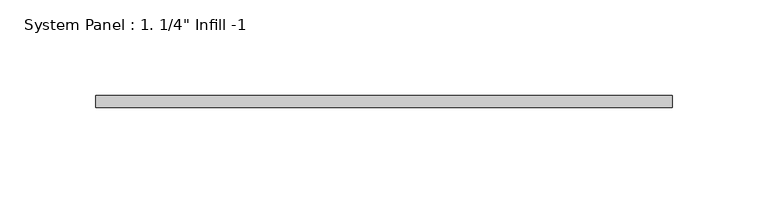
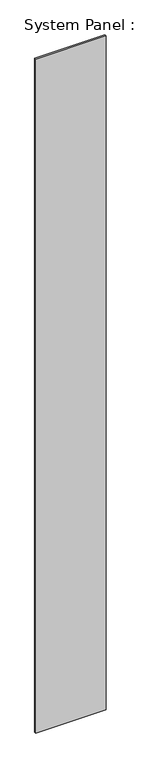
"""IFC4 building model written with IfcOpenShell, lengths in millimetres: plate geometry."""

from ifc_helpers import new_model, si_unit, origin, origin_with_axes, place, context, project, spatial, polyline, outline, extrude, source, transform, mapped, element, save


def plate_42cd1d4c(model_context):
    return source(origin(), model_context, "Body", "SweptSolid", [
        extrude(outline(polyline([(150.8125, -25.4), (-150.8125, -25.4), (-150.8125, -19.05), (150.8125, -19.05), (150.8125, -25.4)])), origin_with_axes(), (0.0, 0.0, 1.0), 3048.0),
    ])


if __name__ == "__main__":
    model = new_model("IFC4")
    model_context = context("Model", 3, world=origin())
    ifc_project = project(units=[si_unit("LENGTHUNIT", "METRE", prefix="MILLI")], contexts=[model_context])
    site = spatial("IfcSite", under=ifc_project)
    building = spatial("IfcBuilding", under=site)
    placement = place(None, origin())
    plate_shape = plate_42cd1d4c(model_context)
    element("IfcPlate", 1, ObjectType="System Panel : 1. 1/4\" Infill -1", at=placement, inside=building, context=model_context, shape_type="MappedRepresentation", body=[
        mapped(plate_shape, transform((0.0, 0.0, 0.0), x_axis=(1.0, 0.0, 0.0), y_axis=(0.0, 1.0, 0.0), z_axis=(0.0, 0.0, 1.0))),
    ])
    save(model, "model.ifc")
